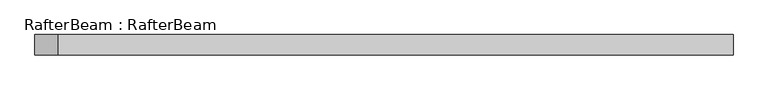
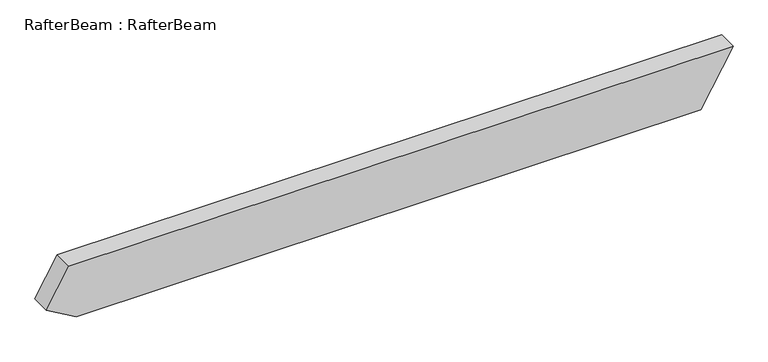
"""IFC4 building model written with IfcOpenShell, lengths in millimetres: beam geometry, RafterBeam : RafterBeam."""

from ifc_helpers import new_model, si_unit, frame, origin, place, context, project, spatial, polyline, outline, extrude, source, transform, mapped, element, save


def rafterbeam_rafterbeam_b6642159(model_context):
    return source(origin(), model_context, "Body", "SweptSolid", [
        extrude(outline(polyline([(70.0, 831.3843876), (70.0, -831.3843876), (-26.6987298, -887.2134253), (-70.0, -812.2134253), (-70.0, 750.5553499), (70.0, 831.3843876)])), frame((0.0, -25.0, 0.0), z_axis=(0.0, 1.0, 0.0), x_axis=(0.0, 0.0, 1.0)), (0.0, 0.0, 1.0), 50.0),
    ])


if __name__ == "__main__":
    model = new_model("IFC4")
    model_context = context("Model", 3, world=origin())
    ifc_project = project(units=[si_unit("LENGTHUNIT", "METRE", prefix="MILLI")], contexts=[model_context])
    site = spatial("IfcSite", under=ifc_project)
    building = spatial("IfcBuilding", under=site)
    placement = place(None, origin())
    rafterbeam_rafterbeam_shape = rafterbeam_rafterbeam_b6642159(model_context)
    element("IfcBeam", 1, ObjectType="RafterBeam : RafterBeam", at=placement, inside=building, context=model_context, shape_type="MappedRepresentation", body=[
        mapped(rafterbeam_rafterbeam_shape, transform((0.0, 0.0, 0.0), x_axis=(1.0, 0.0, 0.0), y_axis=(0.0, 1.0, 0.0), z_axis=(0.0, 0.0, 1.0))),
    ])
    save(model, "model.ifc")
